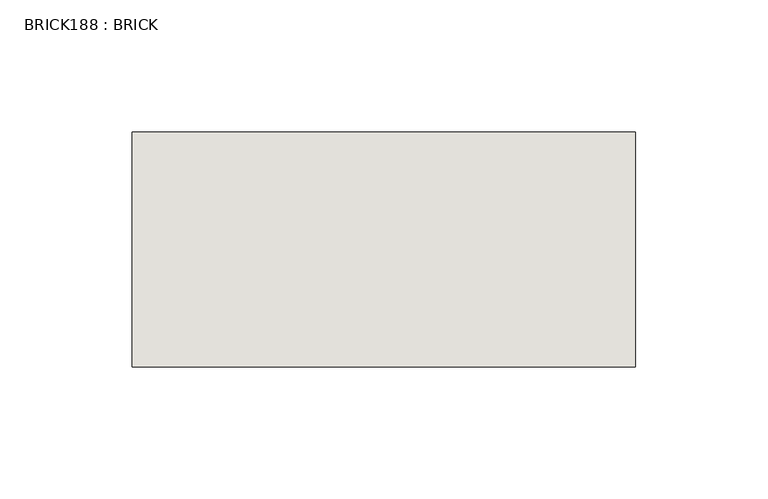
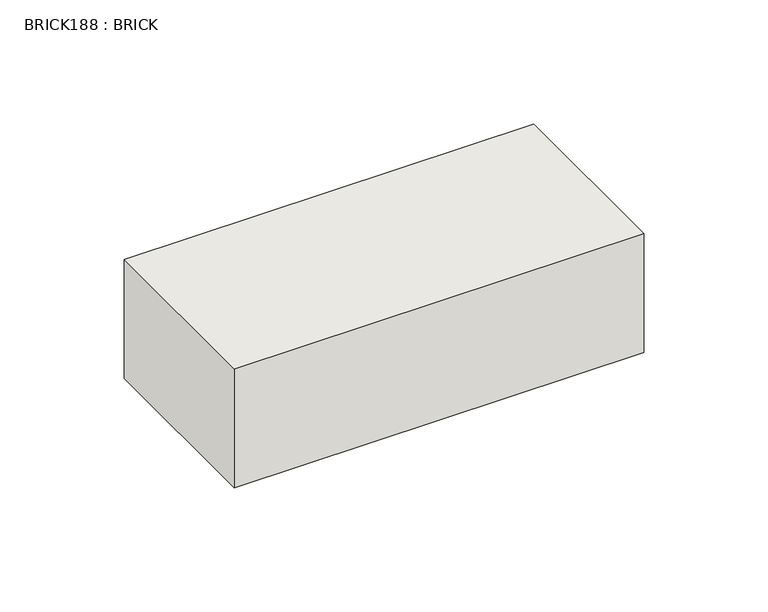
"""IFC4 building model written with IfcOpenShell, lengths in millimetres: wall geometry, BRICK188 : BRICK."""

from ifc_helpers import new_model, si_unit, frame, origin, place, context, project, spatial, polyline, outline, extrude, source, transform, mapped, element, save


def brick188_brick_83aba6b8(model_context):
    return source(origin(), model_context, "Body", "SweptSolid", [
        extrude(outline(polyline([(-465.0574357, 3062.3923312), (-274.5574357, 3062.3923312), (-274.5574357, 2973.4923312), (-465.0574357, 2973.4923312), (-465.0574357, 3062.3923312)])), frame((0.0, 0.0, 4.1671875), z_axis=(0.0, 0.0, 1.0), x_axis=(1.0, 0.0, 0.0)), (0.0, 0.0, 1.0), 58.4398437),
    ])


if __name__ == "__main__":
    model = new_model("IFC4")
    model_context = context("Model", 3, world=origin())
    ifc_project = project(units=[si_unit("LENGTHUNIT", "METRE", prefix="MILLI")], contexts=[model_context])
    site = spatial("IfcSite", under=ifc_project)
    building = spatial("IfcBuilding", under=site)
    placement = place(None, origin())
    brick188_brick_shape = brick188_brick_83aba6b8(model_context)
    element("IfcWall", 1, ObjectType="BRICK188 : BRICK", at=placement, inside=building, context=model_context, shape_type="MappedRepresentation", body=[
        mapped(brick188_brick_shape, transform((0.0, 0.0, 0.0), x_axis=(1.0, 0.0, 0.0), y_axis=(0.0, 1.0, 0.0), z_axis=(0.0, 0.0, 1.0))),
    ])
    save(model, "model.ifc")
